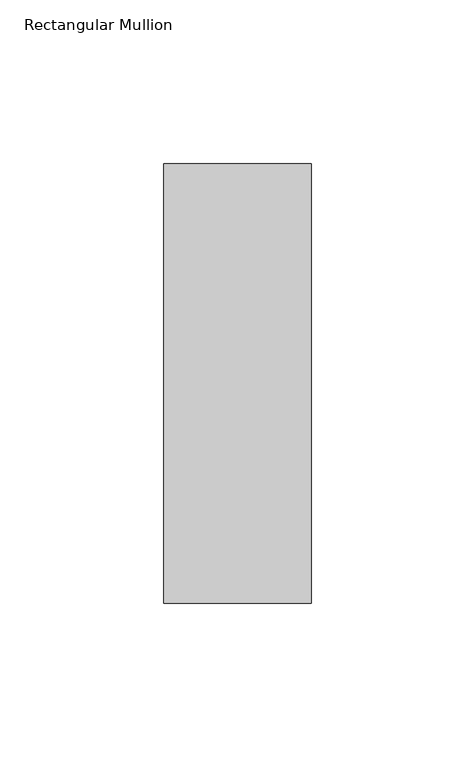
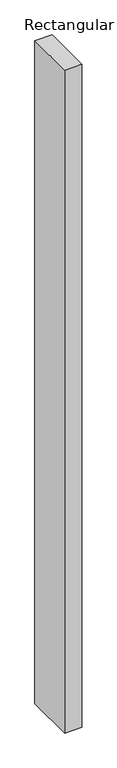
"""IFC4 building model written with IfcOpenShell, lengths in millimetres: member geometry, Rectangular Mullion."""

import ifcopenshell
import ifcopenshell.guid

model = None  # the IFC model being written
_history = None  # IfcOwnerHistory: only IFC2X3 demands one
_inside = {}  # id of a spatial element -> (the spatial element, [elements in it])
_under = {}  # id of a project, library or spatial element -> (it, [spatial elements below it])
_declared = {}  # id of a project -> (the project, [libraries it declares])
_typed = {}  # id of a type object -> (the type object, [elements of that type])
_made_of = {}  # id of a material, layer set ... -> (it, [elements and type objects made of it])


def new_model(schema):
    """Start an empty IFC model of exactly this schema.

    Asked for "IFC4X3", IfcOpenShell would pick the latest addendum, in which some entities
    have other attributes; the version numbers below select the first issue.
    IFC2X3 requires an IfcOwnerHistory on every rooted entity: one is made here for all.
    """
    global model, _history
    if schema == "IFC4X3":
        model = ifcopenshell.file(schema_version=(4, 3, 0, 0))
    else:
        model = ifcopenshell.file(schema=schema)
    _inside.clear()
    _under.clear()
    _declared.clear()
    _typed.clear()
    _made_of.clear()
    _history = None
    if model.schema == "IFC2X3":
        org = make("IfcOrganization", Name="unknown")
        user = make(
            "IfcPersonAndOrganization",
            ThePerson=make("IfcPerson", FamilyName="unknown"),
            TheOrganization=org,
        )
        app = make(
            "IfcApplication",
            ApplicationDeveloper=org,
            Version="unknown",
            ApplicationFullName="unknown",
            ApplicationIdentifier="unknown",
        )
        _history = make(
            "IfcOwnerHistory",
            OwningUser=user,
            OwningApplication=app,
            ChangeAction="ADDED",
            CreationDate=0,
        )
    return model


def make(cls, **values):
    """One entity of the class cls with the attributes given. An attribute that is None is left unset."""
    return model.create_entity(
        cls, **{name: value for name, value in values.items() if value is not None}
    )


def rooted(cls, **values):
    """An entity with a GlobalId (a new one), such as an element, a storey or a relation."""
    return make(cls, GlobalId=ifcopenshell.guid.new(), OwnerHistory=_history, **values)


def si_unit(unit_type, name, prefix=None):
    """IfcSIUnit, for example si_unit("LENGTHUNIT", "METRE", prefix="MILLI")."""
    return make("IfcSIUnit", UnitType=unit_type, Prefix=prefix, Name=name)


def assignment(units):
    """IfcUnitAssignment: the units of a project."""
    return None if units is None else make("IfcUnitAssignment", Units=units)


def point(xyz):
    """IfcCartesianPoint."""
    return None if xyz is None else make("IfcCartesianPoint", Coordinates=xyz)


def direction(xyz):
    """IfcDirection."""
    return None if xyz is None else make("IfcDirection", DirectionRatios=xyz)


def frame(location, z_axis=None, x_axis=None):
    """IfcAxis2Placement3D, a coordinate frame: its origin and axes. An axis left out is left unset."""
    return make(
        "IfcAxis2Placement3D",
        Location=point(location),
        Axis=direction(z_axis),
        RefDirection=direction(x_axis),
    )


def origin():
    """The frame at (0, 0, 0) with its axes left unset."""
    return frame((0.0, 0.0, 0.0))


def place(relative_to, where):
    """IfcLocalPlacement: puts the frame where relative to a parent placement (None: the world)."""
    return make(
        "IfcLocalPlacement", PlacementRelTo=relative_to, RelativePlacement=where
    )


def context(
    kind, dimensions, precision=None, world=None, true_north=None, identifier=None
):
    """IfcGeometricRepresentationContext, for example the 3D "Model" context."""
    return make(
        "IfcGeometricRepresentationContext",
        ContextIdentifier=identifier,
        ContextType=kind,
        CoordinateSpaceDimension=dimensions,
        Precision=precision,
        WorldCoordinateSystem=world,
        TrueNorth=true_north,
    )


def project(units=None, contexts=None):
    """IfcProject with its units and contexts."""
    return rooted(
        "IfcProject",
        Name="project",
        RepresentationContexts=contexts,
        UnitsInContext=assignment(units),
    )


def spatial(cls, under=None, at=None, **own):
    """A site, building, storey or space (cls), placed at a placement, below another one or the project."""
    s = rooted(cls, ObjectPlacement=at, **own)
    if under is not None:
        _under.setdefault(under.id(), (under, []))[1].append(s)
    return s


def polyline(points):
    """IfcPolyline through the points."""
    return make("IfcPolyline", Points=[point(p) for p in points])


def outline(outer, holes=None, kind="AREA"):
    """IfcArbitraryClosedProfileDef: a profile drawn as a closed curve; with holes, ...WithVoids."""
    if holes is None:
        return make("IfcArbitraryClosedProfileDef", ProfileType=kind, OuterCurve=outer)
    return make(
        "IfcArbitraryProfileDefWithVoids",
        ProfileType=kind,
        OuterCurve=outer,
        InnerCurves=holes,
    )


def extrude(swept, where, along, depth):
    """IfcExtrudedAreaSolid: the profile swept, set in the frame where, extruded along a direction by depth."""
    return make(
        "IfcExtrudedAreaSolid",
        SweptArea=swept,
        Position=where,
        ExtrudedDirection=direction(along),
        Depth=depth,
    )


def shape(context_of_items, identifier, shape_type, items):
    """IfcShapeRepresentation: the items that make up one representation, for example the "Body"."""
    return make(
        "IfcShapeRepresentation",
        ContextOfItems=context_of_items,
        RepresentationIdentifier=identifier,
        RepresentationType=shape_type,
        Items=items,
    )


def source(mapping_origin, context_of_items, identifier, shape_type, items):
    """IfcRepresentationMap: a shape defined once, which mapped items show again and again."""
    return make(
        "IfcRepresentationMap",
        MappingOrigin=mapping_origin,
        MappedRepresentation=shape(context_of_items, identifier, shape_type, items),
    )


def transform(
    local_origin,
    x_axis=None,
    y_axis=None,
    z_axis=None,
    scale=None,
    scale2=None,
    scale3=None,
    uniform=True,
):
    """IfcCartesianTransformationOperator3D, or its non-uniform kind. x_axis, y_axis, z_axis: its Axis1, 2, 3."""
    if uniform:
        return make(
            "IfcCartesianTransformationOperator3D",
            Axis1=direction(x_axis),
            Axis2=direction(y_axis),
            LocalOrigin=point(local_origin),
            Scale=scale,
            Axis3=direction(z_axis),
        )
    return make(
        "IfcCartesianTransformationOperator3DnonUniform",
        Axis1=direction(x_axis),
        Axis2=direction(y_axis),
        LocalOrigin=point(local_origin),
        Scale=scale,
        Axis3=direction(z_axis),
        Scale2=scale2,
        Scale3=scale3,
    )


def mapped(mapping_source, mapping_target):
    """IfcMappedItem: shows the shape of a source again, moved by a transform."""
    return make(
        "IfcMappedItem", MappingSource=mapping_source, MappingTarget=mapping_target
    )


def made_of(thing, what):
    """Note that an element or type object is made of a material, layer set ...; save() writes the relation."""
    if what is not None:
        _made_of.setdefault(what.id(), (what, []))[1].append(thing)
    return thing


def element(
    cls,
    number,
    at=None,
    inside=None,
    cuts=None,
    type_object=None,
    material=None,
    context=None,
    identifier="Body",
    shape_type=None,
    held_by="IfcProductDefinitionShape",
    body=None,
    shapes=None,
    **own,
):
    """One element of the class cls, such as IfcWall. Its Tag is "e" and its number.

    at: its placement. inside: the storey or other place that contains it. cuts: it is an
    opening in that element (IfcRelVoidsElement). A single representation is given by context,
    identifier, shape_type and body (its items); several are given by shapes. held_by: the class
    of the entity that holds the representations. save() writes the other relations.
    """
    e = rooted(cls, Tag="e%d" % number, ObjectPlacement=at, **own)
    if body is not None:
        shapes = [shape(context, identifier, shape_type, body)]
    if shapes is not None:
        e.Representation = make(held_by, Representations=shapes)
    if inside is not None:
        _inside.setdefault(inside.id(), (inside, []))[1].append(e)
    if cuts is not None:
        rooted(
            "IfcRelVoidsElement", RelatingBuildingElement=cuts, RelatedOpeningElement=e
        )
    if type_object is not None:
        _typed.setdefault(type_object.id(), (type_object, []))[1].append(e)
    return made_of(e, material)


def aggregate(whole, parts):
    """IfcRelAggregates: a whole, such as a stair, and the parts it consists of."""
    return rooted("IfcRelAggregates", RelatingObject=whole, RelatedObjects=parts)


def save(model, path):
    """Write the relations noted so far, then the file.

    IfcRelAggregates (storeys below a building ...), IfcRelContainedInSpatialStructure (elements
    in a storey), IfcRelDefinesByType, IfcRelAssociatesMaterial and IfcRelDeclares: one each for
    every whole, place, type object, material and project.
    """
    for whole, parts in _under.values():
        aggregate(whole, parts)
    for where, things in _inside.values():
        rooted(
            "IfcRelContainedInSpatialStructure",
            RelatedElements=things,
            RelatingStructure=where,
        )
    for kind, things in _typed.values():
        rooted("IfcRelDefinesByType", RelatedObjects=things, RelatingType=kind)
    for what, things in _made_of.values():
        rooted("IfcRelAssociatesMaterial", RelatedObjects=things, RelatingMaterial=what)
    for by, libraries in _declared.values():
        rooted("IfcRelDeclares", RelatingContext=by, RelatedDefinitions=libraries)
    model.write(path)


def rectangular_mullion_a530a3ef(model_context):
    return source(origin(), model_context, "Body", "SweptSolid", [
        extrude(outline(polyline([(-45.0, 82.60625), (0.0, 82.60625), (0.0, -51.60625), (-45.0, -51.60625), (-45.0, 82.60625)])), frame((0.0, 0.0, -1828.8), z_axis=(0.0, 0.0, 1.0), x_axis=(1.0, 0.0, 0.0)), (0.0, 0.0, 1.0), 1828.8),
    ])


if __name__ == "__main__":
    model = new_model("IFC4")
    model_context = context("Model", 3, world=origin())
    ifc_project = project(units=[si_unit("LENGTHUNIT", "METRE", prefix="MILLI")], contexts=[model_context])
    site = spatial("IfcSite", under=ifc_project)
    building = spatial("IfcBuilding", under=site)
    placement = place(None, origin())
    rectangular_mullion_shape = rectangular_mullion_a530a3ef(model_context)
    element("IfcMember", 1, ObjectType="Rectangular Mullion", at=placement, inside=building, context=model_context, shape_type="MappedRepresentation", body=[
        mapped(rectangular_mullion_shape, transform((0.0, 0.0, 0.0), x_axis=(1.0, 0.0, 0.0), y_axis=(0.0, 1.0, 0.0), z_axis=(0.0, 0.0, 1.0))),
    ])
    save(model, "model.ifc")
